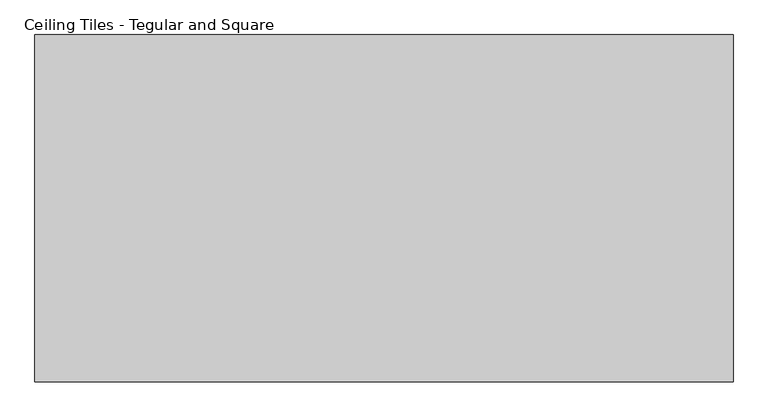
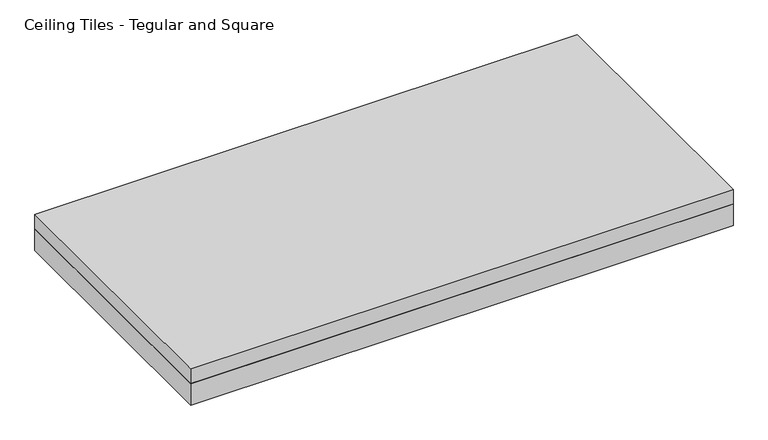
"""IFC4 building model written with IfcOpenShell, lengths in millimetres: proxy geometry, Ceiling Tiles - Tegular and Square."""

from ifc_helpers import new_model, si_unit, frame, origin, origin_with_axes, place, context, project, spatial, polyline, outline, extrude, source, transform, mapped, element, save


def ceiling_tiles_tegular_and_square_e02e9c1e(model_context):
    return source(origin(), model_context, "Body", "SweptSolid", [
        extrude(outline(polyline([(606.425, 301.625), (606.425, -301.625), (-606.425, -301.625), (-606.425, 301.625), (606.425, 301.625)])), origin_with_axes(), (0.0, 0.0, 1.0), 50.8),
        extrude(outline(polyline([(-606.425, 301.625), (606.425, 301.625), (606.425, -301.625), (-606.425, -301.625), (-606.425, 301.625)])), frame((0.0, 0.0, 50.8), z_axis=(0.0, 0.0, 1.0), x_axis=(1.0, 0.0, 0.0)), (0.0, 0.0, 1.0), 34.925),
    ])


if __name__ == "__main__":
    model = new_model("IFC4")
    model_context = context("Model", 3, world=origin())
    ifc_project = project(units=[si_unit("LENGTHUNIT", "METRE", prefix="MILLI")], contexts=[model_context])
    site = spatial("IfcSite", under=ifc_project)
    building = spatial("IfcBuilding", under=site)
    placement = place(None, origin())
    ceiling_tiles_tegular_and_square_shape = ceiling_tiles_tegular_and_square_e02e9c1e(model_context)
    element("IfcBuildingElementProxy", 1, Name="Ceiling Tiles - Tegular and Square", ObjectType="Ceiling Tiles - Tegular and Square", at=placement, inside=building, context=model_context, shape_type="MappedRepresentation", body=[
        mapped(ceiling_tiles_tegular_and_square_shape, transform((0.0, 0.0, 0.0), x_axis=(1.0, 0.0, 0.0), y_axis=(0.0, 1.0, 0.0), z_axis=(0.0, 0.0, 1.0))),
    ])
    save(model, "model.ifc")
